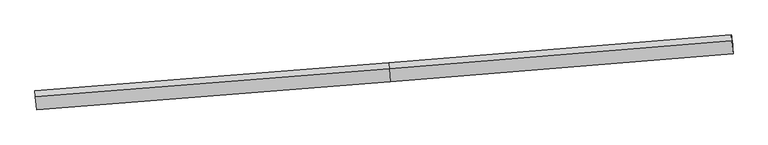
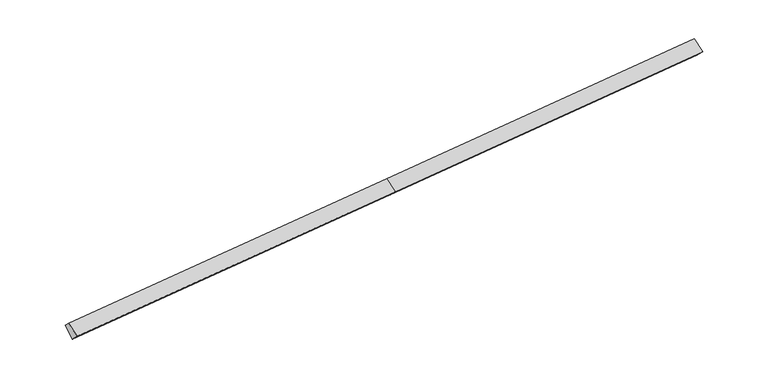
"""IFC4 building model written with IfcOpenShell, lengths in millimetres: proxy geometry."""

from ifc_helpers import new_model, si_unit, frame, origin, place, context, project, spatial, source, transform, mapped, element, save
from ifc_brep_helpers import plane_surface, spline_surface, advanced_brep


def generic_models_ba890655(model_context):
    return source(origin(), model_context, "Body", "AdvancedBrep", [
        advanced_brep(
        [(-17067.5143835, -2675.1001158, 992.8112746), (-17061.3959866, -2968.1816878, 1281.9519031), (152.6914741, -1593.1508697, 2318.5835115), (146.5730772, -1300.0692978, 2029.442883), (-16998.538651, -3161.120178, 498.7072621), (215.5488097, -1786.0893599, 1535.3388705), (-16995.4022711, -3311.3580881, 646.9249868), (218.6851896, -1936.3272701, 1683.5565953), (-16989.3784026, -3599.9115891, 931.5984315), (224.7090582, -2224.8807711, 1968.2300399), (16879.0188077, -592.0232593, 2686.5199614), (16875.8824277, -441.7853492, 2538.3022367), (16806.9066953, 44.234713, 3032.4062492), (16813.3151812, -251.3914865, 3320.1356431), (16885.0426762, -880.5767603, 2971.193406)],
        [
            (0, 1),
            (1, 2),
            (2, 3),
            (3, 0),
            (4, 0),
            (0, 5),
            (5, 4),
            (6, 4),
            (5, 7),
            (7, 6),
            (8, 6),
            (7, 9),
            (9, 8),
            (1, 8),
            (9, 2),
            (10, 11),
            (11, 12),
            (12, 13),
            (13, 14),
            (14, 10),
            (3, 5),
            (5, 11),
            (10, 7),
            (3, 12),
            (2, 13),
            (9, 14),
        ],
        [
            plane_surface(frame((-17064.4551851, -2821.6409018, 1137.3815888), z_axis=(-0.09846565243918178, 0.697849089998347, 0.7094442634049594), x_axis=(0.014859561104410297, -0.7117981373239823, 0.7022268900760592))),
            plane_surface(frame((-17033.0265173, -2918.1101469, 745.7592683), z_axis=(-0.014571995958524021, 0.7118212533817202, -0.7022094845328295), x_axis=(-0.09903195317546659, 0.6978036233176367, 0.7094101602987021))),
            plane_surface(frame((-16996.9704611, -3236.239133, 572.8161245), z_axis=(0.0984656524391818, -0.6978490899983478, -0.7094442634049587), x_axis=(-0.014859561104400027, 0.7117981373239823, -0.7022268900760592))),
            plane_surface(frame((-16992.3903368, -3455.6348386, 789.2617092), z_axis=(0.09846565243918179, -0.6978490899983468, -0.7094442634049597), x_axis=(-0.014859561104415575, 0.7117981373239822, -0.7022268900760592))),
            plane_surface(frame((-17025.3871946, -3284.0466384, 1106.7751673), z_axis=(-0.013784781001685759, -0.4861553637818334, 0.8737636648882176), x_axis=(0.0992033495869687, -0.870200286649491, -0.48260766316529774))),
            plane_surface(frame((16845.2867451, -382.3797207, 2965.5093837), z_axis=(0.9949732989854737, 0.08008442412161236, 0.06012170422628727), x_axis=(-0.014859561104408048, 0.7117981373239823, -0.7022268900760592))),
            plane_surface(frame((-17029.2068559, -3101.0783927, 926.2672178), z_axis=(-0.9949732989854736, -0.08008442412161146, -0.060121704226288014), x_axis=(-0.014859561104406789, 0.7117981373239817, -0.7022268900760598))),
            plane_surface(frame((-17067.5143835, -2675.1001158, 992.8112746), z_axis=(-0.014571995958524, 0.7118212533817202, -0.7022094845328295), x_axis=(-0.09903195317547156, 0.6978036233176363, 0.7094101602987017))),
            plane_surface(frame((217.1169997, -1861.208315, 1609.4477329), z_axis=(0.099012179902703, -0.6978052147095813, -0.7094113549662354), x_axis=(-0.014859561104424872, 0.7117981373239783, -0.7022268900760628))),
            plane_surface(frame((181.0609435, -1543.0793289, 1782.3908768), z_axis=(-0.015156664145741482, 0.7117741920048549, -0.7022448113925863), x_axis=(-0.09903195317546666, 0.6978036233176352, 0.7094101602987034))),
            spline_surface(1, 1, [[(146.5730772, -1300.0692978, 2029.442883), (16806.9066953, 44.234713, 3032.4062492)], [(152.6914741, -1593.1508697, 2318.5835115), (16813.3151812, -251.3914865, 3320.1356431)]], [2, 2], [2, 2], [0.0, 1.0], [0.0, 1.0]),
            plane_surface(frame((188.7002661, -1909.0158204, 2143.4067757), z_axis=(-0.013377943971748622, -0.48612260048587447, 0.8737882168534546), x_axis=(0.09920334958697205, -0.87020028664949, -0.4826076631652989))),
            plane_surface(frame((221.6971239, -2080.6040206, 1825.8933176), z_axis=(0.09901217990270297, -0.6978052147095772, -0.7094113549662393), x_axis=(-0.014859561104399286, 0.7117981373239843, -0.7022268900760572))),
        ],
        [
            (0, [[1, 2, 3, 4]]),
            (1, [[5, 6, 7]]),
            (2, [[8, -7, 9, 10]]),
            (3, [[11, -10, 12, 13]]),
            (4, [[14, -13, 15, -2]]),
            (5, [[16, 17, 18, 19, 20]]),
            (6, [[-1, -5, -8, -11, -14]]),
            (7, [[21, -6, -4]]),
            (8, [[-9, 22, -16, 23]]),
            (9, [[-21, 24, -17, -22]]),
            (10, [[-3, 25, -18, -24]]),
            (11, [[-15, 26, -19, -25]]),
            (12, [[-12, -23, -20, -26]]),
        ],
    ),
    ])


if __name__ == "__main__":
    model = new_model("IFC4")
    model_context = context("Model", 3, world=origin())
    ifc_project = project(units=[si_unit("LENGTHUNIT", "METRE", prefix="MILLI")], contexts=[model_context])
    site = spatial("IfcSite", under=ifc_project)
    building = spatial("IfcBuilding", under=site)
    placement = place(None, origin())
    generic_models_shape = generic_models_ba890655(model_context)
    element("IfcBuildingElementProxy", 1, Name="Generic Models", at=placement, inside=building, context=model_context, shape_type="MappedRepresentation", body=[
        mapped(generic_models_shape, transform((0.0, 0.0, 0.0), x_axis=(1.0, 0.0, 0.0), y_axis=(0.0, 1.0, 0.0), z_axis=(0.0, 0.0, 1.0))),
    ])
    save(model, "model.ifc")
